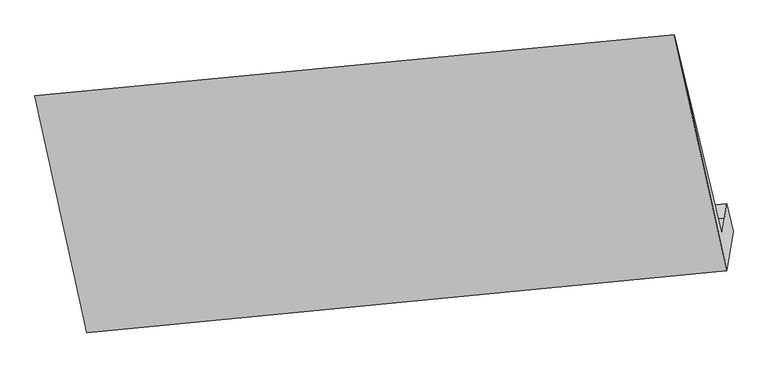
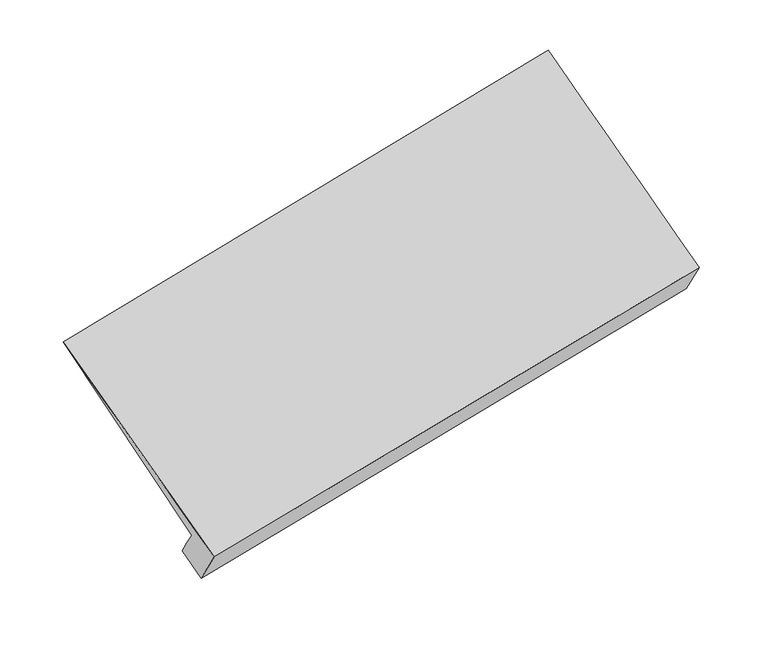
"""IFC4 building model written with IfcOpenShell, lengths in millimetres: proxy geometry."""

from ifc_helpers import new_model, si_unit, frame, origin, place, context, project, spatial, source, transform, mapped, element, save
from ifc_brep_helpers import plane_surface, spline_surface, advanced_brep


def generic_models_97f43d59(model_context):
    return source(origin(), model_context, "Body", "AdvancedBrep", [
        advanced_brep(
        [(-5135.1618314, -1758.2161139, 1165.7801607), (-5152.5972086, -1864.5099223, 1311.0019637), (-476.223154, -1428.9579095, 2186.1522166), (-458.2939882, -1319.6537466, 2036.8175764), (-5170.0325858, -1970.8037307, 1456.2237668), (-494.1523198, -1538.2620725, 2335.4868567), (-5511.1743736, -531.7464637, 2562.7460109), (-840.7799924, -88.7504681, 3466.0582091), (-5134.3324175, -2262.2661577, 1409.8793897), (-459.932963, -1810.3177614, 2287.457198), (-5086.8602241, -1972.8545683, 1014.476558), (-412.6901039, -1522.3042956, 1893.9645249)],
        [
            (0, 1),
            (1, 2),
            (2, 3),
            (3, 0),
            (1, 4),
            (4, 5),
            (5, 2),
            (4, 6),
            (6, 7),
            (7, 5),
            (6, 8),
            (8, 9),
            (9, 7),
            (8, 10),
            (10, 11),
            (11, 9),
            (10, 0),
            (3, 11),
        ],
        [
            plane_surface(frame((-5143.87952, -1811.3630181, 1238.3910622), z_axis=(-0.1809144715721899, 0.8038510938810834, 0.5666510150365403), x_axis=(-0.09643003882578442, -0.58788037391219, 0.8031798762300519))),
            plane_surface(frame((-5161.3148972, -1917.6568265, 1383.6128653), z_axis=(-0.18091447157218898, 0.8038510938810894, 0.566651015036532), x_axis=(-0.09643003882578452, -0.5878803739121816, 0.803179876230058))),
            spline_surface(1, 1, [[(-5170.0325858, -1970.8037307, 1456.2237668), (-494.1523198, -1538.2620725, 2335.4868567)], [(-5511.1743736, -531.7464637, 2562.7460109), (-840.7799924, -88.7504681, 3466.0582091)]], [2, 2], [2, 2], [0.0, 1.0], [0.0, 1.0]),
            spline_surface(1, 1, [[(-5511.1743736, -531.7464637, 2562.7460109), (-840.7799924, -88.7504681, 3466.0582091)], [(-5134.3324175, -2262.2661577, 1409.8793897), (-459.932963, -1810.3177614, 2287.457198)]], [2, 2], [2, 2], [0.0, 1.0], [0.0, 1.0]),
            plane_surface(frame((-5110.5963208, -2117.560363, 1212.1779739), z_axis=(0.18396882447926924, -0.8035641644744747, -0.5660742929970902), x_axis=(0.09643003882578433, 0.587880373912187, -0.8031798762300542))),
            plane_surface(frame((-5111.0110278, -1865.5353411, 1090.1283594), z_axis=(0.09454237621971438, 0.5877044678757235, -0.8035329473877488), x_axis=(-0.1808966603523121, 0.8038527436374627, 0.5666543609819868))),
            plane_surface(frame((-533.1698734, -1255.8576689, 2403.956873), z_axis=(0.9787633247549885, 0.0906500552419072, 0.18386114760655692), x_axis=(0.09643003882578433, 0.587880373912187, -0.8031798762300542))),
            plane_surface(frame((-5207.5122865, -1699.1774068, 1521.8211772), z_axis=(-0.9787633247549912, -0.09065005524189546, -0.1838611476065481), x_axis=(0.18089666035229754, -0.8038527436374641, -0.5666543609819896))),
        ],
        [
            (0, [[1, 2, 3, 4]]),
            (1, [[5, 6, 7, -2]]),
            (2, [[8, 9, 10, -6]]),
            (3, [[11, 12, 13, -9]]),
            (4, [[14, 15, 16, -12]]),
            (5, [[17, -4, 18, -15]]),
            (6, [[-16, -18, -3, -7, -10, -13]]),
            (7, [[-17, -14, -11, -8, -5, -1]]),
        ],
    ),
    ])


if __name__ == "__main__":
    model = new_model("IFC4")
    model_context = context("Model", 3, world=origin())
    ifc_project = project(units=[si_unit("LENGTHUNIT", "METRE", prefix="MILLI")], contexts=[model_context])
    site = spatial("IfcSite", under=ifc_project)
    building = spatial("IfcBuilding", under=site)
    placement = place(None, origin())
    generic_models_shape = generic_models_97f43d59(model_context)
    element("IfcBuildingElementProxy", 1, Name="Generic Models", at=placement, inside=building, context=model_context, shape_type="MappedRepresentation", body=[
        mapped(generic_models_shape, transform((0.0, 0.0, 0.0), x_axis=(1.0, 0.0, 0.0), y_axis=(0.0, 1.0, 0.0), z_axis=(0.0, 0.0, 1.0))),
    ])
    save(model, "model.ifc")
